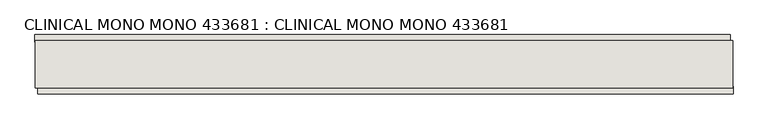
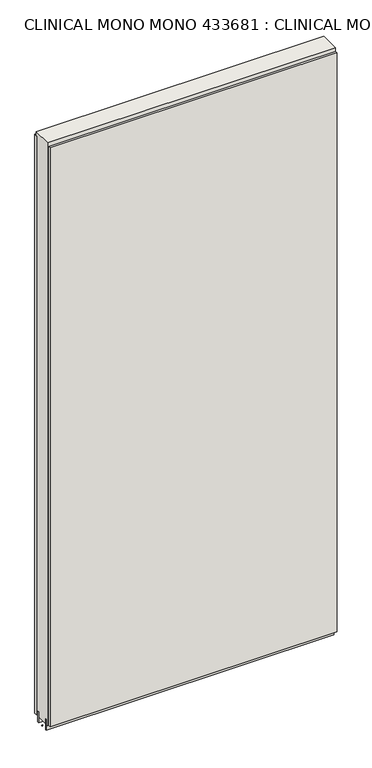
"""IFC4 building model written with IfcOpenShell, lengths in millimetres: wall geometry, CLINICAL MONO MONO 433681 : CLINICAL MONO MONO 433681."""

from ifc_helpers import new_model, si_unit, frame, origin, place, context, project, spatial, polyline, outline, extrude, source, transform, mapped, element, save


def clinical_mono_mono_433681_clinical_mono_mono_433681_c15add30(model_context):
    return source(origin(), model_context, "Body", "SweptSolid", [
        extrude(outline(polyline([(59766.3103884, -40972.3505672), (59763.7703884, -40972.3505672), (59763.7703884, -40969.8105672), (59766.3103884, -40969.8105672), (59766.3103884, -40972.3505672)])), frame((0.0, 0.0, 4419.6), z_axis=(0.0, 0.0, 1.0), x_axis=(1.0, 0.0, 0.0)), (0.0, 0.0, 1.0), 2.54),
        extrude(outline(polyline([(59763.3048826, -40920.2805672), (60957.4256846, -40920.2805672), (60957.4256846, -40932.9805672), (59763.3048826, -40932.9805672), (59763.3048826, -40920.2805672)])), frame((0.0, 0.0, 4445.0), z_axis=(0.0, 0.0, 1.0), x_axis=(1.0, 0.0, 0.0)), (0.0, 0.0, 1.0), 2545.0498756),
        extrude(outline(polyline([(60962.3556214, -41021.8805672), (59768.2348194, -41021.8805672), (59768.2348194, -41009.1805672), (60962.3556214, -41009.1805672), (60962.3556214, -41021.8805672)])), frame((0.0, 0.0, 4445.0), z_axis=(0.0, 0.0, 1.0), x_axis=(1.0, 0.0, 0.0)), (0.0, 0.0, 1.0), 2545.0498756),
        extrude(outline(polyline([(60961.878965, -40945.9937238), (59763.7629462, -40945.9937238), (59763.7629462, -40940.9149684), (60961.878965, -40940.9149684), (60961.878965, -40945.9937238)])), frame((0.0, 0.0, 4418.6602), z_axis=(0.0, 0.0, 1.0), x_axis=(1.0, 0.0, 0.0)), (0.0, 0.0, 1.0), 47.625),
        extrude(outline(polyline([(60961.878965, -40945.9937238), (59763.7629462, -40945.9937238), (59763.7629462, -40940.9149684), (60961.878965, -40940.9149684), (60961.878965, -40945.9937238)])), frame((0.0, 0.0, 4418.6602), z_axis=(0.0, 0.0, 1.0), x_axis=(1.0, 0.0, 0.0)), (0.0, 0.0, 1.0), 47.625),
        extrude(outline(polyline([(59763.7629462, -40996.1581142), (60961.878965, -40996.1581142), (60961.878965, -41001.2399684), (59763.7629462, -41001.2399684), (59763.7629462, -40996.1581142)])), frame((0.0, 0.0, 4418.6602), z_axis=(0.0, 0.0, 1.0), x_axis=(1.0, 0.0, 0.0)), (0.0, 0.0, 1.0), 47.625),
        extrude(outline(polyline([(59763.7629462, -40996.1581142), (60961.878965, -40996.1581142), (60961.878965, -41001.2399684), (59763.7629462, -41001.2399684), (59763.7629462, -40996.1581142)])), frame((0.0, 0.0, 4418.6602), z_axis=(0.0, 0.0, 1.0), x_axis=(1.0, 0.0, 0.0)), (0.0, 0.0, 1.0), 47.625),
        extrude(outline(polyline([(60961.878965, -40930.4504986), (60961.878965, -41011.729254), (59763.7629462, -41011.729254), (59763.7629462, -40930.4504986), (60961.878965, -40930.4504986)])), frame((0.0, 0.0, 4445.0), z_axis=(0.0, 0.0, 1.0), x_axis=(1.0, 0.0, 0.0)), (0.0, 0.0, 1.0), 2562.4536762),
    ])


if __name__ == "__main__":
    model = new_model("IFC4")
    model_context = context("Model", 3, world=origin())
    ifc_project = project(units=[si_unit("LENGTHUNIT", "METRE", prefix="MILLI")], contexts=[model_context])
    site = spatial("IfcSite", under=ifc_project)
    building = spatial("IfcBuilding", under=site)
    placement = place(None, origin())
    clinical_mono_mono_433681_clinical_mono_mono_433681_shape = clinical_mono_mono_433681_clinical_mono_mono_433681_c15add30(model_context)
    element("IfcWall", 1, ObjectType="CLINICAL MONO MONO 433681 : CLINICAL MONO MONO 433681", at=placement, inside=building, context=model_context, shape_type="MappedRepresentation", body=[
        mapped(clinical_mono_mono_433681_clinical_mono_mono_433681_shape, transform((0.0, 0.0, 0.0), x_axis=(1.0, 0.0, 0.0), y_axis=(0.0, 1.0, 0.0), z_axis=(0.0, 0.0, 1.0))),
    ])
    save(model, "model.ifc")
